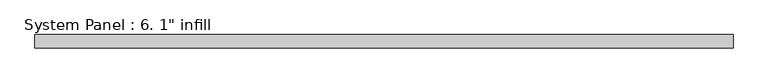
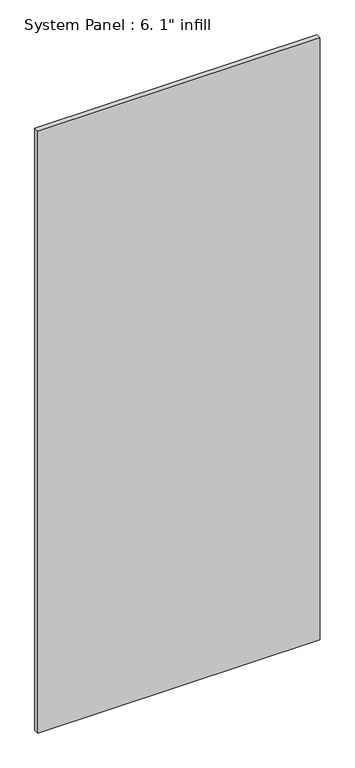
"""IFC4 building model written with IfcOpenShell, lengths in millimetres: plate geometry."""

import ifcopenshell
import ifcopenshell.guid

model = None  # the IFC model being written
_history = None  # IfcOwnerHistory: only IFC2X3 demands one
_inside = {}  # id of a spatial element -> (the spatial element, [elements in it])
_under = {}  # id of a project, library or spatial element -> (it, [spatial elements below it])
_declared = {}  # id of a project -> (the project, [libraries it declares])
_typed = {}  # id of a type object -> (the type object, [elements of that type])
_made_of = {}  # id of a material, layer set ... -> (it, [elements and type objects made of it])


def new_model(schema):
    """Start an empty IFC model of exactly this schema.

    Asked for "IFC4X3", IfcOpenShell would pick the latest addendum, in which some entities
    have other attributes; the version numbers below select the first issue.
    IFC2X3 requires an IfcOwnerHistory on every rooted entity: one is made here for all.
    """
    global model, _history
    if schema == "IFC4X3":
        model = ifcopenshell.file(schema_version=(4, 3, 0, 0))
    else:
        model = ifcopenshell.file(schema=schema)
    _inside.clear()
    _under.clear()
    _declared.clear()
    _typed.clear()
    _made_of.clear()
    _history = None
    if model.schema == "IFC2X3":
        org = make("IfcOrganization", Name="unknown")
        user = make(
            "IfcPersonAndOrganization",
            ThePerson=make("IfcPerson", FamilyName="unknown"),
            TheOrganization=org,
        )
        app = make(
            "IfcApplication",
            ApplicationDeveloper=org,
            Version="unknown",
            ApplicationFullName="unknown",
            ApplicationIdentifier="unknown",
        )
        _history = make(
            "IfcOwnerHistory",
            OwningUser=user,
            OwningApplication=app,
            ChangeAction="ADDED",
            CreationDate=0,
        )
    return model


def make(cls, **values):
    """One entity of the class cls with the attributes given. An attribute that is None is left unset."""
    return model.create_entity(
        cls, **{name: value for name, value in values.items() if value is not None}
    )


def rooted(cls, **values):
    """An entity with a GlobalId (a new one), such as an element, a storey or a relation."""
    return make(cls, GlobalId=ifcopenshell.guid.new(), OwnerHistory=_history, **values)


def si_unit(unit_type, name, prefix=None):
    """IfcSIUnit, for example si_unit("LENGTHUNIT", "METRE", prefix="MILLI")."""
    return make("IfcSIUnit", UnitType=unit_type, Prefix=prefix, Name=name)


def assignment(units):
    """IfcUnitAssignment: the units of a project."""
    return None if units is None else make("IfcUnitAssignment", Units=units)


def point(xyz):
    """IfcCartesianPoint."""
    return None if xyz is None else make("IfcCartesianPoint", Coordinates=xyz)


def direction(xyz):
    """IfcDirection."""
    return None if xyz is None else make("IfcDirection", DirectionRatios=xyz)


def frame(location, z_axis=None, x_axis=None):
    """IfcAxis2Placement3D, a coordinate frame: its origin and axes. An axis left out is left unset."""
    return make(
        "IfcAxis2Placement3D",
        Location=point(location),
        Axis=direction(z_axis),
        RefDirection=direction(x_axis),
    )


def origin():
    """The frame at (0, 0, 0) with its axes left unset."""
    return frame((0.0, 0.0, 0.0))


def origin_with_axes():
    """The frame at (0, 0, 0) with the z axis (0, 0, 1) and the x axis (1, 0, 0) written out."""
    return frame((0.0, 0.0, 0.0), z_axis=(0.0, 0.0, 1.0), x_axis=(1.0, 0.0, 0.0))


def place(relative_to, where):
    """IfcLocalPlacement: puts the frame where relative to a parent placement (None: the world)."""
    return make(
        "IfcLocalPlacement", PlacementRelTo=relative_to, RelativePlacement=where
    )


def context(
    kind, dimensions, precision=None, world=None, true_north=None, identifier=None
):
    """IfcGeometricRepresentationContext, for example the 3D "Model" context."""
    return make(
        "IfcGeometricRepresentationContext",
        ContextIdentifier=identifier,
        ContextType=kind,
        CoordinateSpaceDimension=dimensions,
        Precision=precision,
        WorldCoordinateSystem=world,
        TrueNorth=true_north,
    )


def project(units=None, contexts=None):
    """IfcProject with its units and contexts."""
    return rooted(
        "IfcProject",
        Name="project",
        RepresentationContexts=contexts,
        UnitsInContext=assignment(units),
    )


def spatial(cls, under=None, at=None, **own):
    """A site, building, storey or space (cls), placed at a placement, below another one or the project."""
    s = rooted(cls, ObjectPlacement=at, **own)
    if under is not None:
        _under.setdefault(under.id(), (under, []))[1].append(s)
    return s


def polyline(points):
    """IfcPolyline through the points."""
    return make("IfcPolyline", Points=[point(p) for p in points])


def outline(outer, holes=None, kind="AREA"):
    """IfcArbitraryClosedProfileDef: a profile drawn as a closed curve; with holes, ...WithVoids."""
    if holes is None:
        return make("IfcArbitraryClosedProfileDef", ProfileType=kind, OuterCurve=outer)
    return make(
        "IfcArbitraryProfileDefWithVoids",
        ProfileType=kind,
        OuterCurve=outer,
        InnerCurves=holes,
    )


def extrude(swept, where, along, depth):
    """IfcExtrudedAreaSolid: the profile swept, set in the frame where, extruded along a direction by depth."""
    return make(
        "IfcExtrudedAreaSolid",
        SweptArea=swept,
        Position=where,
        ExtrudedDirection=direction(along),
        Depth=depth,
    )


def shape(context_of_items, identifier, shape_type, items):
    """IfcShapeRepresentation: the items that make up one representation, for example the "Body"."""
    return make(
        "IfcShapeRepresentation",
        ContextOfItems=context_of_items,
        RepresentationIdentifier=identifier,
        RepresentationType=shape_type,
        Items=items,
    )


def source(mapping_origin, context_of_items, identifier, shape_type, items):
    """IfcRepresentationMap: a shape defined once, which mapped items show again and again."""
    return make(
        "IfcRepresentationMap",
        MappingOrigin=mapping_origin,
        MappedRepresentation=shape(context_of_items, identifier, shape_type, items),
    )


def transform(
    local_origin,
    x_axis=None,
    y_axis=None,
    z_axis=None,
    scale=None,
    scale2=None,
    scale3=None,
    uniform=True,
):
    """IfcCartesianTransformationOperator3D, or its non-uniform kind. x_axis, y_axis, z_axis: its Axis1, 2, 3."""
    if uniform:
        return make(
            "IfcCartesianTransformationOperator3D",
            Axis1=direction(x_axis),
            Axis2=direction(y_axis),
            LocalOrigin=point(local_origin),
            Scale=scale,
            Axis3=direction(z_axis),
        )
    return make(
        "IfcCartesianTransformationOperator3DnonUniform",
        Axis1=direction(x_axis),
        Axis2=direction(y_axis),
        LocalOrigin=point(local_origin),
        Scale=scale,
        Axis3=direction(z_axis),
        Scale2=scale2,
        Scale3=scale3,
    )


def mapped(mapping_source, mapping_target):
    """IfcMappedItem: shows the shape of a source again, moved by a transform."""
    return make(
        "IfcMappedItem", MappingSource=mapping_source, MappingTarget=mapping_target
    )


def made_of(thing, what):
    """Note that an element or type object is made of a material, layer set ...; save() writes the relation."""
    if what is not None:
        _made_of.setdefault(what.id(), (what, []))[1].append(thing)
    return thing


def element(
    cls,
    number,
    at=None,
    inside=None,
    cuts=None,
    type_object=None,
    material=None,
    context=None,
    identifier="Body",
    shape_type=None,
    held_by="IfcProductDefinitionShape",
    body=None,
    shapes=None,
    **own,
):
    """One element of the class cls, such as IfcWall. Its Tag is "e" and its number.

    at: its placement. inside: the storey or other place that contains it. cuts: it is an
    opening in that element (IfcRelVoidsElement). A single representation is given by context,
    identifier, shape_type and body (its items); several are given by shapes. held_by: the class
    of the entity that holds the representations. save() writes the other relations.
    """
    e = rooted(cls, Tag="e%d" % number, ObjectPlacement=at, **own)
    if body is not None:
        shapes = [shape(context, identifier, shape_type, body)]
    if shapes is not None:
        e.Representation = make(held_by, Representations=shapes)
    if inside is not None:
        _inside.setdefault(inside.id(), (inside, []))[1].append(e)
    if cuts is not None:
        rooted(
            "IfcRelVoidsElement", RelatingBuildingElement=cuts, RelatedOpeningElement=e
        )
    if type_object is not None:
        _typed.setdefault(type_object.id(), (type_object, []))[1].append(e)
    return made_of(e, material)


def aggregate(whole, parts):
    """IfcRelAggregates: a whole, such as a stair, and the parts it consists of."""
    return rooted("IfcRelAggregates", RelatingObject=whole, RelatedObjects=parts)


def save(model, path):
    """Write the relations noted so far, then the file.

    IfcRelAggregates (storeys below a building ...), IfcRelContainedInSpatialStructure (elements
    in a storey), IfcRelDefinesByType, IfcRelAssociatesMaterial and IfcRelDeclares: one each for
    every whole, place, type object, material and project.
    """
    for whole, parts in _under.values():
        aggregate(whole, parts)
    for where, things in _inside.values():
        rooted(
            "IfcRelContainedInSpatialStructure",
            RelatedElements=things,
            RelatingStructure=where,
        )
    for kind, things in _typed.values():
        rooted("IfcRelDefinesByType", RelatedObjects=things, RelatingType=kind)
    for what, things in _made_of.values():
        rooted("IfcRelAssociatesMaterial", RelatedObjects=things, RelatingMaterial=what)
    for by, libraries in _declared.values():
        rooted("IfcRelDeclares", RelatingContext=by, RelatedDefinitions=libraries)
    model.write(path)


def plate_4acdf0a3(model_context):
    return source(origin(), model_context, "Body", "SweptSolid", [
        extrude(outline(polyline([(676.3801378, -12.7), (-676.3801378, -12.7), (-676.3801378, 12.7), (676.3801378, 12.7), (676.3801378, -12.7)])), origin_with_axes(), (0.0, 0.0, 1.0), 3048.0),
    ])


if __name__ == "__main__":
    model = new_model("IFC4")
    model_context = context("Model", 3, world=origin())
    ifc_project = project(units=[si_unit("LENGTHUNIT", "METRE", prefix="MILLI")], contexts=[model_context])
    site = spatial("IfcSite", under=ifc_project)
    building = spatial("IfcBuilding", under=site)
    placement = place(None, origin())
    plate_shape = plate_4acdf0a3(model_context)
    element("IfcPlate", 1, ObjectType="System Panel : 6. 1\" infill", at=placement, inside=building, context=model_context, shape_type="MappedRepresentation", body=[
        mapped(plate_shape, transform((0.0, 0.0, 0.0), x_axis=(1.0, 0.0, 0.0), y_axis=(0.0, 1.0, 0.0), z_axis=(0.0, 0.0, 1.0))),
    ])
    save(model, "model.ifc")
